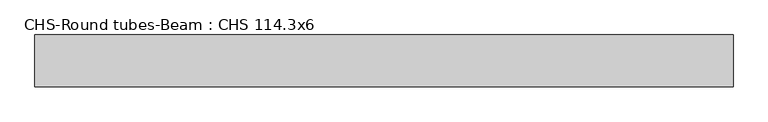
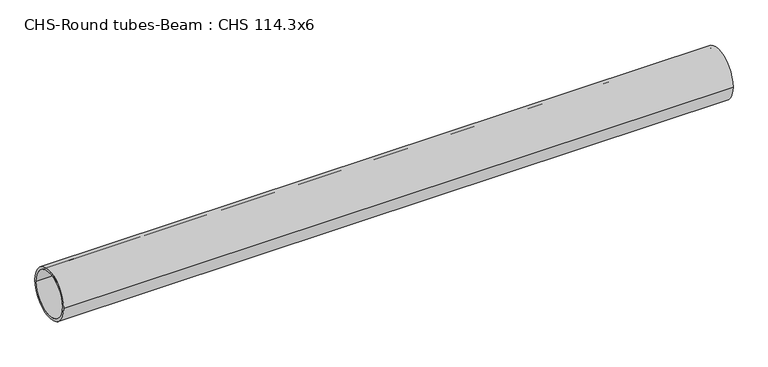
"""IFC4 building model written with IfcOpenShell, lengths in millimetres: beam geometry, CHS-Round tubes-Beam : CHS 114.3x6."""

from ifc_helpers import new_model, si_unit, point, frame, origin, origin_2d, place, context, project, spatial, circle_curve, trimmed, segment, composite_curve, outline, extrude, source, transform, mapped, element, save


def chs_round_tubes_beam_chs_114_3x6_4e3647e9(model_context):
    return source(origin(), model_context, "Body", "SweptSolid", [
        extrude(outline(composite_curve([segment(trimmed(circle_curve(origin_2d(), 57.15), [point((57.15, 0.0))], [point((-57.15, 0.0))], False, "CARTESIAN"), True, "CONTINUOUS"), segment(trimmed(circle_curve(origin_2d(), 57.15), [point((-57.15, 0.0))], [point((57.15, 0.0))], False, "CARTESIAN"), True, "CONTINUOUS")], self_intersect=False), holes=[composite_curve([segment(trimmed(circle_curve(origin_2d(), 51.15), [point((51.15, 0.0))], [point((-51.15, 0.0))], True, "CARTESIAN"), True, "CONTINUOUS"), segment(trimmed(circle_curve(origin_2d(), 51.15), [point((-51.15, 0.0))], [point((51.15, 0.0))], True, "CARTESIAN"), True, "CONTINUOUS")], self_intersect=False)]), frame((-745.0344112, 0.0, 0.0), z_axis=(1.0, 0.0, 0.0), x_axis=(0.0, 1.0, 0.0)), (0.0, 0.0, 1.0), 1532.8492835),
    ])


if __name__ == "__main__":
    model = new_model("IFC4")
    model_context = context("Model", 3, world=origin())
    ifc_project = project(units=[si_unit("LENGTHUNIT", "METRE", prefix="MILLI")], contexts=[model_context])
    site = spatial("IfcSite", under=ifc_project)
    building = spatial("IfcBuilding", under=site)
    placement = place(None, origin())
    chs_round_tubes_beam_chs_114_3x6_shape = chs_round_tubes_beam_chs_114_3x6_4e3647e9(model_context)
    element("IfcBeam", 1, ObjectType="CHS-Round tubes-Beam : CHS 114.3x6", at=placement, inside=building, context=model_context, shape_type="MappedRepresentation", body=[
        mapped(chs_round_tubes_beam_chs_114_3x6_shape, transform((0.0, 0.0, 0.0), x_axis=(1.0, 0.0, 0.0), y_axis=(0.0, 1.0, 0.0), z_axis=(0.0, 0.0, 1.0))),
    ])
    save(model, "model.ifc")
